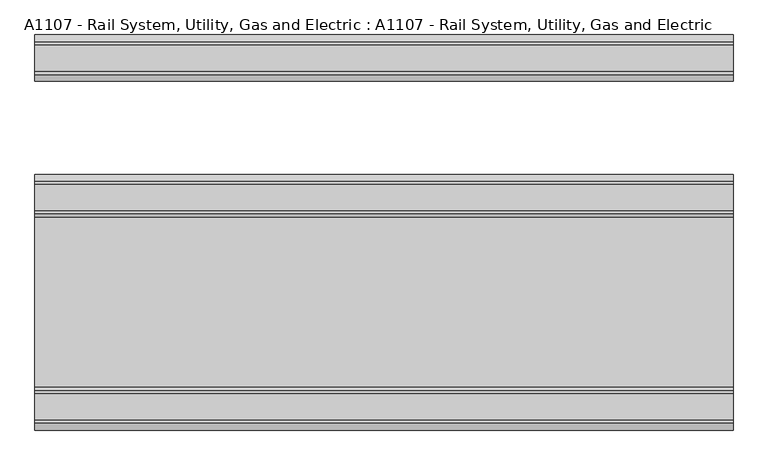
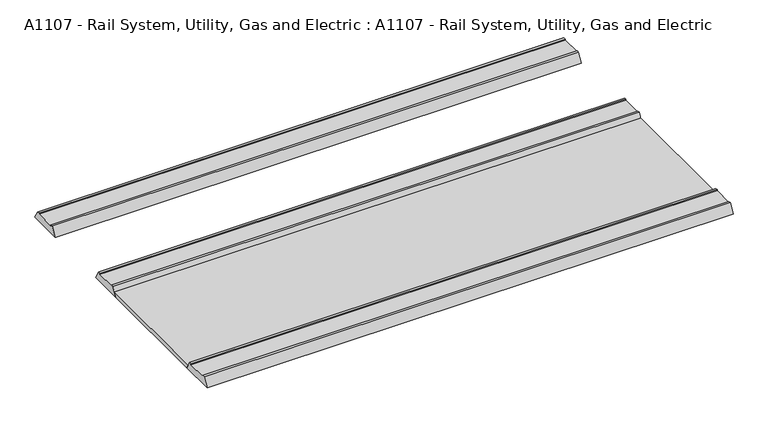
"""IFC4 building model written with IfcOpenShell, lengths in millimetres: proxy geometry, A1107 - Rail System, Utility, Gas and Electric : A1107 - Rail System, Utility, Gas and Electric."""

from ifc_helpers import new_model, si_unit, frame, origin, place, context, project, spatial, polyline, outline, extrude, source, transform, mapped, element, save


def a1107_rail_system_utility_gas_and_electric_a1107_rail_system_6898efcb(model_context):
    return source(origin(), model_context, "Body", "SweptSolid", [
        extrude(outline(polyline([(1219.2, 0.0), (508.0, 0.0), (493.3353032, 25.4), (1233.8646968, 25.4), (1219.2, 0.0)])), frame((-1524.0, 0.0, 0.0), z_axis=(1.0, 0.0, 0.0), x_axis=(0.0, 1.0, 0.0)), (0.0, 0.0, 1.0), 3048.0),
        extrude(outline(polyline([(508.0, 0.0), (304.8, 0.0), (334.1293937, 50.8), (346.8293937, 50.8), (346.8293937, 44.45), (465.9706063, 44.45), (465.9706063, 50.8), (478.6706063, 50.8), (508.0, 0.0)])), frame((-1524.0, 0.0, 0.0), z_axis=(1.0, 0.0, 0.0), x_axis=(0.0, 1.0, 0.0)), (0.0, 0.0, 1.0), 3048.0),
        extrude(outline(polyline([(1422.4, 0.0), (1219.2, 0.0), (1248.5293937, 50.8), (1261.2293937, 50.8), (1261.2293937, 44.45), (1380.3706063, 44.45), (1380.3706063, 50.8), (1393.0706063, 50.8), (1422.4, 0.0)])), frame((-1524.0, 0.0, 0.0), z_axis=(1.0, 0.0, 0.0), x_axis=(0.0, 1.0, 0.0)), (0.0, 0.0, 1.0), 3048.0),
        extrude(outline(polyline([(2032.0, 0.0), (1828.8, 0.0), (1858.1293937, 50.8), (1870.8293937, 50.8), (1870.8293937, 44.45), (1989.9706063, 44.45), (1989.9706063, 50.8), (2002.6706063, 50.8), (2032.0, 0.0)])), frame((-1524.0, 0.0, 0.0), z_axis=(1.0, 0.0, 0.0), x_axis=(0.0, 1.0, 0.0)), (0.0, 0.0, 1.0), 3048.0),
    ])


if __name__ == "__main__":
    model = new_model("IFC4")
    model_context = context("Model", 3, world=origin())
    ifc_project = project(units=[si_unit("LENGTHUNIT", "METRE", prefix="MILLI")], contexts=[model_context])
    site = spatial("IfcSite", under=ifc_project)
    building = spatial("IfcBuilding", under=site)
    placement = place(None, origin())
    a1107_rail_system_utility_gas_and_electric_a1107_rail_system_shape = a1107_rail_system_utility_gas_and_electric_a1107_rail_system_6898efcb(model_context)
    element("IfcBuildingElementProxy", 1, Name="A1107 - Rail System, Utility, Gas and Electric : A1107 - Rail System, Utility, Gas and Electric", ObjectType="A1107 - Rail System, Utility, Gas and Electric : A1107 - Rail System, Utility, Gas and Electric", at=placement, inside=building, context=model_context, shape_type="MappedRepresentation", body=[
        mapped(a1107_rail_system_utility_gas_and_electric_a1107_rail_system_shape, transform((0.0, 0.0, 0.0), x_axis=(1.0, 0.0, 0.0), y_axis=(0.0, 1.0, 0.0), z_axis=(0.0, 0.0, 1.0))),
    ])
    save(model, "model.ifc")
